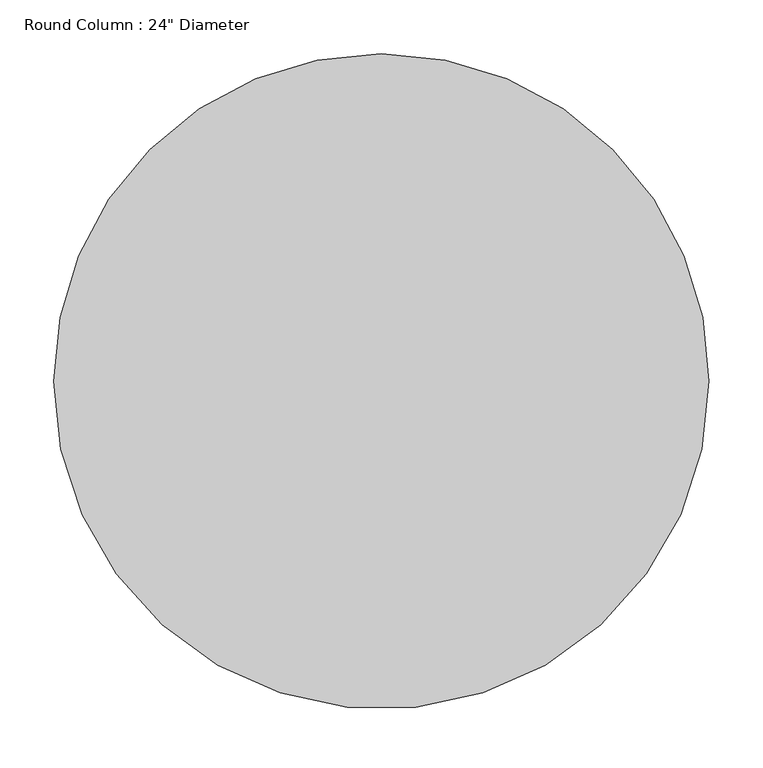
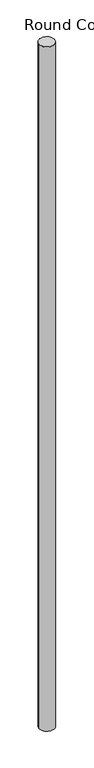
"""IFC4 building model written with IfcOpenShell, lengths in millimetres: column geometry."""

from ifc_helpers import new_model, si_unit, point, frame, origin, origin_2d, place, context, project, spatial, circle_curve, trimmed, segment, composite_curve, outline, extrude, source, transform, mapped, element, save


def column_bb69191b(model_context):
    return source(origin(), model_context, "Body", "SweptSolid", [
        extrude(outline(composite_curve([segment(trimmed(circle_curve(origin_2d(), 304.8), [point((304.8, 0.0))], [point((-304.8, 0.0))], False, "CARTESIAN"), True, "CONTINUOUS"), segment(trimmed(circle_curve(origin_2d(), 304.8), [point((-304.8, 0.0))], [point((0.0, 304.8))], False, "CARTESIAN"), True, "CONTINUOUS"), segment(trimmed(circle_curve(origin_2d(), 304.8), [point((0.0, 304.8))], [point((304.8, 0.0))], False, "CARTESIAN"), True, "CONTINUOUS")], self_intersect=False)), frame((0.0, 0.0, -3048.0), z_axis=(0.0, 0.0, 1.0), x_axis=(1.0, 0.0, 0.0)), (0.0, 0.0, 1.0), 28651.2),
    ])


if __name__ == "__main__":
    model = new_model("IFC4")
    model_context = context("Model", 3, world=origin())
    ifc_project = project(units=[si_unit("LENGTHUNIT", "METRE", prefix="MILLI")], contexts=[model_context])
    site = spatial("IfcSite", under=ifc_project)
    building = spatial("IfcBuilding", under=site)
    placement = place(None, origin())
    column_shape = column_bb69191b(model_context)
    element("IfcColumn", 1, ObjectType="Round Column : 24\" Diameter", at=placement, inside=building, context=model_context, shape_type="MappedRepresentation", body=[
        mapped(column_shape, transform((0.0, 0.0, 0.0), x_axis=(1.0, 0.0, 0.0), y_axis=(0.0, 1.0, 0.0), z_axis=(0.0, 0.0, 1.0))),
    ])
    save(model, "model.ifc")
